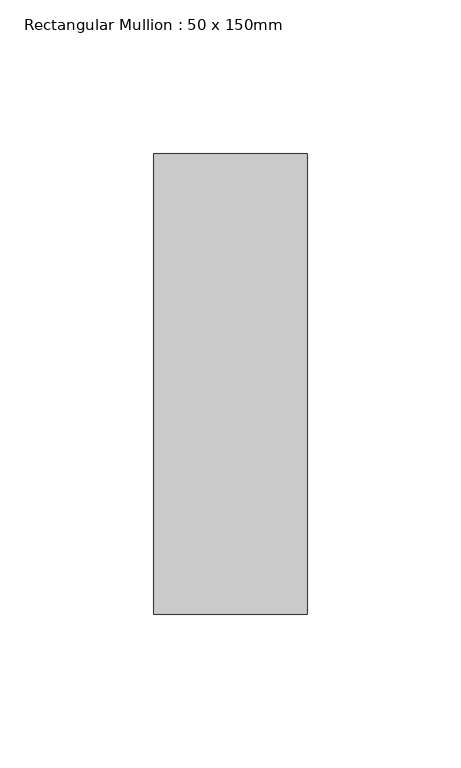
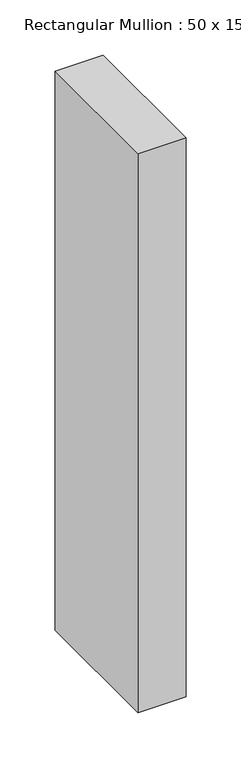
"""IFC4 building model written with IfcOpenShell, lengths in millimetres: member geometry, Rectangular Mullion : 50 x 150mm."""

from ifc_helpers import new_model, si_unit, frame, origin, place, context, project, spatial, polyline, outline, extrude, source, transform, mapped, element, save


def rectangular_mullion_50_x_150mm_db5c862c(model_context):
    return source(origin(), model_context, "Body", "SweptSolid", [
        extrude(outline(polyline([(25.0, 75.0), (25.0, -75.0), (-25.0, -75.0), (-25.0, 75.0), (25.0, 75.0)])), frame((0.0, 0.0, -617.0666667), z_axis=(0.0, 0.0, 1.0), x_axis=(1.0, 0.0, 0.0)), (0.0, 0.0, 1.0), 617.0666667),
    ])


if __name__ == "__main__":
    model = new_model("IFC4")
    model_context = context("Model", 3, world=origin())
    ifc_project = project(units=[si_unit("LENGTHUNIT", "METRE", prefix="MILLI")], contexts=[model_context])
    site = spatial("IfcSite", under=ifc_project)
    building = spatial("IfcBuilding", under=site)
    placement = place(None, origin())
    rectangular_mullion_50_x_150mm_shape = rectangular_mullion_50_x_150mm_db5c862c(model_context)
    element("IfcMember", 1, ObjectType="Rectangular Mullion : 50 x 150mm", at=placement, inside=building, context=model_context, shape_type="MappedRepresentation", body=[
        mapped(rectangular_mullion_50_x_150mm_shape, transform((0.0, 0.0, 0.0), x_axis=(1.0, 0.0, 0.0), y_axis=(0.0, 1.0, 0.0), z_axis=(0.0, 0.0, 1.0))),
    ])
    save(model, "model.ifc")
